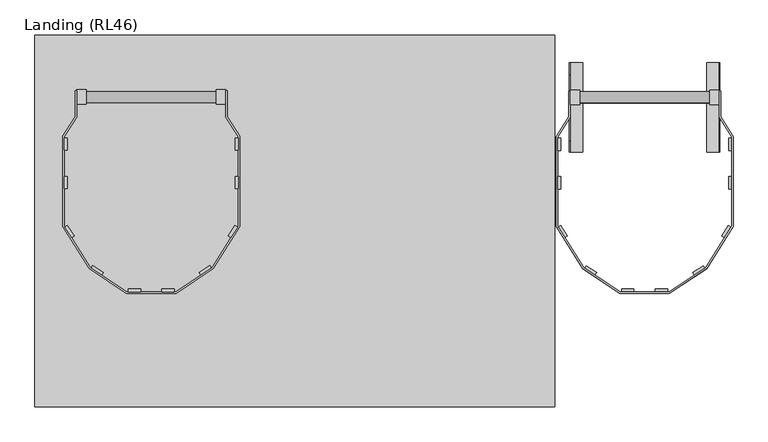
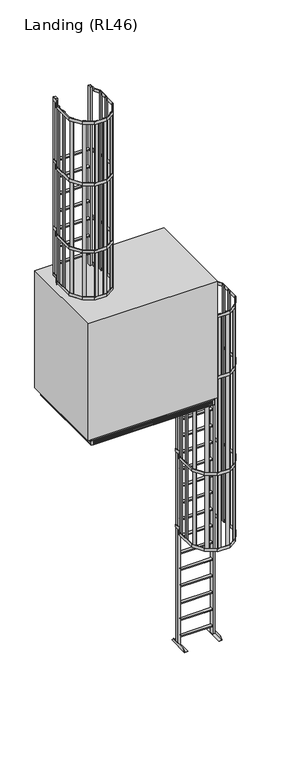
"""IFC4 building model written with IfcOpenShell, lengths in millimetres: proxy geometry, Landing (RL46)."""

from ifc_helpers import new_model, si_unit, point, frame, frame_2d, origin, place, context, project, spatial, polyline, circle_curve, trimmed, segment, composite_curve, outline, extrude, faceted_brep, source, transform, mapped, element, save


def landing_rl46_76867f14(model_context):
    return source(origin(), model_context, "Body", "SolidModel", [
        faceted_brep([(-2372.0, 139.0, 4911.0), (-2410.5, 139.0, 4911.0), (-2410.5, -1275.0, 4911.0), (-2372.0, -1275.0, 4911.0), (-2372.0, -1278.0, 4911.0), (-449.0, -1278.0, 4911.0), (-449.0, -1275.0, 4911.0), (-410.5, -1275.0, 4911.0), (-410.5, 139.0, 4911.0), (-449.0, 139.0, 4911.0), (-449.0, 142.0, 4911.0), (-2372.0, 142.0, 4911.0), (-423.5, 129.0, 4911.0), (-423.5, -1265.0, 4911.0), (-2397.5, -1265.0, 4911.0), (-2397.5, 129.0, 4911.0), (-2372.0, 142.0, 4904.0), (-2372.0, 139.0, 4904.0), (-2372.0, 139.0, 4949.0), (-2372.0, 139.0, 4967.0), (-2372.0, 142.0, 4967.0), (-2372.0, 142.0, 4949.0), (-2372.0, 139.0, 4921.0), (-2372.0, 139.0, 4939.0), (-2372.0, 142.0, 4939.0), (-2372.0, 142.0, 4921.0), (-2372.0, 139.0, 4984.0), (-2372.0, 142.0, 4984.0), (-2372.0, 142.0, 4977.0), (-2372.0, 139.0, 4977.0), (-2410.5, 139.0, 4967.0), (-2410.5, -1275.0, 4967.0), (-2372.0, -1275.0, 4967.0), (-2372.0, -1278.0, 4967.0), (-449.0, -1278.0, 4967.0), (-449.0, -1275.0, 4967.0), (-410.5, -1275.0, 4967.0), (-410.5, 139.0, 4967.0), (-449.0, 139.0, 4967.0), (-449.0, 142.0, 4967.0), (-423.5, 129.0, 4967.0), (-423.5, -1265.0, 4967.0), (-2397.5, -1265.0, 4967.0), (-2397.5, 129.0, 4967.0), (-423.5, 129.0, 4977.0), (-2397.5, 129.0, 4977.0), (-2410.5, 139.0, 4921.0), (-449.0, 142.0, 4921.0), (-449.0, 139.0, 4921.0), (-410.5, 139.0, 4921.0), (-410.5, -1275.0, 4921.0), (-449.0, -1275.0, 4921.0), (-449.0, -1278.0, 4921.0), (-2372.0, -1278.0, 4921.0), (-2372.0, -1275.0, 4921.0), (-2410.5, -1275.0, 4921.0), (-423.5, -1265.0, 4921.0), (-423.5, 129.0, 4921.0), (-2397.5, 129.0, 4921.0), (-2397.5, -1265.0, 4921.0), (-410.5, 139.0, 4949.0), (-449.0, 139.0, 4949.0), (-410.5, 139.0, 4939.0), (-449.0, 139.0, 4939.0), (-410.5, 139.0, 4904.0), (-449.0, 139.0, 4904.0), (-449.0, 139.0, 4984.0), (-410.5, 139.0, 4984.0), (-410.5, 139.0, 4977.0), (-449.0, 139.0, 4977.0), (-410.5, -1275.0, 4904.0), (-410.5, -1275.0, 4984.0), (-410.5, -1275.0, 4977.0), (-410.5, -1275.0, 4949.0), (-410.5, -1275.0, 4939.0), (-2372.0, -1239.5, 4984.0), (-449.0, -1239.5, 4984.0), (-449.0, -1239.5, 4904.0), (-2372.0, -1239.5, 4904.0), (-2410.5, -1275.0, 4939.0), (-2372.0, -1275.0, 4939.0), (-2410.5, -1275.0, 4904.0), (-2372.0, -1275.0, 4904.0), (-2372.0, -1275.0, 4984.0), (-2410.5, -1275.0, 4984.0), (-2410.5, -1275.0, 4977.0), (-2372.0, -1275.0, 4977.0), (-2410.5, -1275.0, 4949.0), (-2372.0, -1275.0, 4949.0), (-449.0, 142.0, 4904.0), (-449.0, -1275.0, 4904.0), (-449.0, -1278.0, 4904.0), (-2372.0, -1278.0, 4904.0), (-2410.5, 139.0, 4904.0), (-449.0, 103.5, 4904.0), (-2372.0, 103.5, 4904.0), (-2410.5, 139.0, 4984.0), (-2372.0, -1278.0, 4984.0), (-449.0, -1278.0, 4984.0), (-449.0, -1275.0, 4984.0), (-449.0, 142.0, 4984.0), (-449.0, 103.5, 4984.0), (-2372.0, 103.5, 4984.0), (-2410.5, 139.0, 4949.0), (-2410.5, 139.0, 4939.0), (-2410.5, 139.0, 4977.0), (-449.0, -1275.0, 4977.0), (-449.0, -1275.0, 4949.0), (-449.0, -1275.0, 4939.0), (-2372.0, -1278.0, 4939.0), (-2372.0, -1278.0, 4977.0), (-2372.0, -1278.0, 4949.0), (-449.0, -1278.0, 4949.0), (-449.0, -1278.0, 4939.0), (-449.0, -1278.0, 4977.0), (-449.0, 142.0, 4939.0), (-449.0, 142.0, 4977.0), (-449.0, 142.0, 4949.0), (-423.5, -1265.0, 4977.0), (-2397.5, -1265.0, 4977.0), (-423.5, 129.0, 4949.0), (-423.5, -1265.0, 4949.0), (-423.5, -1265.0, 4939.0), (-423.5, 129.0, 4939.0), (-2397.5, -1265.0, 4949.0), (-2397.5, -1265.0, 4939.0), (-2397.5, 129.0, 4949.0), (-2397.5, 129.0, 4939.0)], [[[0, 1, 2, 3, 4, 5, 6, 7, 8, 9, 10, 11], [12, 13, 14, 15]], [[16, 17, 0, 11]], [[18, 19, 20, 21]], [[22, 23, 24, 25]], [[26, 27, 28, 29]], [[19, 30, 31, 32, 33, 34, 35, 36, 37, 38, 39, 20], [40, 41, 42, 43]], [[44, 40, 43, 45]], [[46, 22, 25, 47, 48, 49, 50, 51, 52, 53, 54, 55], [56, 57, 58, 59]], [[37, 60, 61, 38]], [[62, 49, 48, 63]], [[64, 65, 9, 8]], [[66, 67, 68, 69]], [[70, 64, 8, 7]], [[67, 71, 72, 68]], [[36, 73, 60, 37]], [[74, 50, 49, 62]], [[75, 76, 77, 78]], [[79, 55, 54, 80]], [[81, 82, 3, 2]], [[83, 84, 85, 86]], [[31, 87, 88, 32]], [[17, 16, 89, 65, 64, 70, 90, 91, 92, 82, 81, 93], [94, 95, 78, 77]], [[26, 96, 84, 83, 97, 98, 99, 71, 67, 66, 100, 27], [101, 76, 75, 102]], [[17, 93, 1, 0]], [[19, 18, 103, 30]], [[23, 22, 46, 104]], [[96, 26, 29, 105]], [[93, 81, 2, 1]], [[30, 103, 87, 31]], [[84, 96, 105, 85]], [[104, 46, 55, 79]], [[90, 70, 7, 6]], [[71, 99, 106, 72]], [[35, 107, 73, 36]], [[108, 51, 50, 74]], [[76, 101, 94, 77]], [[102, 75, 78, 95]], [[101, 102, 95, 94]], [[80, 54, 53, 109]], [[82, 92, 4, 3]], [[97, 83, 86, 110]], [[32, 88, 111, 33]], [[33, 111, 112, 34]], [[109, 53, 52, 113]], [[92, 91, 5, 4]], [[98, 97, 110, 114]], [[99, 98, 114, 106]], [[91, 90, 6, 5]], [[107, 35, 34, 112]], [[51, 108, 113, 52]], [[63, 48, 47, 115]], [[65, 89, 10, 9]], [[100, 66, 69, 116]], [[38, 61, 117, 39]], [[39, 117, 21, 20]], [[115, 47, 25, 24]], [[89, 16, 11, 10]], [[27, 100, 116, 28]], [[44, 118, 41, 40]], [[57, 56, 13, 12]], [[41, 118, 119, 42]], [[13, 56, 59, 14]], [[42, 119, 45, 43]], [[14, 59, 58, 15]], [[105, 29, 28, 116, 69, 68, 72, 106, 114, 110, 86, 85], [118, 44, 45, 119]], [[57, 12, 15, 58]], [[120, 121, 122, 123]], [[122, 121, 124, 125]], [[125, 124, 126, 127]], [[103, 18, 21, 117, 61, 60, 73, 107, 112, 111, 88, 87], [121, 120, 126, 124]], [[23, 104, 79, 80, 109, 113, 108, 74, 62, 63, 115, 24], [123, 122, 125, 127]], [[120, 123, 127, 126]]]),
        extrude(outline(polyline([(-410.5, 142.0), (-410.5, -1278.0), (-2410.5, -1278.0), (-2410.5, 142.0), (-410.5, 142.0)]), holes=[polyline([(-469.5, 123.5), (-2351.5, 123.5), (-2351.5, -1259.5), (-469.5, -1259.5), (-469.5, 123.5)])]), frame((0.0, 0.0, 4984.0), z_axis=(0.0, 0.0, 1.0), x_axis=(1.0, 0.0, 0.0)), (0.0, 0.0, 1.0), 19.0),
        extrude(outline(polyline([(-469.5, 123.5), (-469.5, -1259.5), (-2351.5, -1259.5), (-2351.5, 123.5), (-469.5, 123.5)])), frame((0.0, 0.0, 4984.0), z_axis=(0.0, 0.0, 1.0), x_axis=(1.0, 0.0, 0.0)), (0.0, 0.0, 1.0), 16.0),
        extrude(outline(polyline([(-2410.5, 142.0), (-2372.0, 142.0), (-2372.0, 139.0), (-2410.5, 139.0), (-2410.5, 142.0)])), frame((0.0, 0.0, 4904.0), z_axis=(0.0, 0.0, 1.0), x_axis=(1.0, 0.0, 0.0)), (0.0, 0.0, 1.0), 80.0),
        extrude(outline(polyline([(-449.0, 142.0), (-410.5, 142.0), (-410.5, 139.0), (-449.0, 139.0), (-449.0, 142.0)])), frame((0.0, 0.0, 4904.0), z_axis=(0.0, 0.0, 1.0), x_axis=(1.0, 0.0, 0.0)), (0.0, 0.0, 1.0), 80.0),
        extrude(outline(polyline([(-410.5, -1278.0), (-449.0, -1278.0), (-449.0, -1275.0), (-410.5, -1275.0), (-410.5, -1278.0)])), frame((0.0, 0.0, 4904.0), z_axis=(0.0, 0.0, 1.0), x_axis=(1.0, 0.0, 0.0)), (0.0, 0.0, 1.0), 80.0),
        extrude(outline(polyline([(-2372.0, -1278.0), (-2410.5, -1278.0), (-2410.5, -1275.0), (-2372.0, -1275.0), (-2372.0, -1278.0)])), frame((0.0, 0.0, 4904.0), z_axis=(0.0, 0.0, 1.0), x_axis=(1.0, 0.0, 0.0)), (0.0, 0.0, 1.0), 80.0),
        faceted_brep([(-362.5, -1278.0, 7000.0), (-362.5, -1278.0, 5000.0), (-362.5, -712.25, 5000.0), (-362.5, -712.25, 5990.0), (-362.5, 12.75, 5990.0), (-362.5, 12.75, 5000.0), (-362.5, 222.0, 5000.0), (-362.5, 222.0, 7000.0), (-2458.5, -1278.0, 5000.0), (-2458.5, 222.0, 5000.0), (-454.0, 12.75, 5000.0), (-454.0, -712.25, 5000.0), (-2458.5, 222.0, 7000.0), (-2458.5, -1278.0, 7000.0), (-454.0, 12.75, 5990.0), (-454.0, -712.25, 5990.0)], [[[0, 1, 2, 3, 4, 5, 6, 7]], [[8, 9, 6, 5, 10, 11, 2, 1]], [[0, 7, 12, 13]], [[14, 10, 5, 4]], [[13, 12, 9, 8]], [[1, 0, 13, 8]], [[7, 6, 9, 12]], [[15, 14, 4, 3]], [[14, 15, 11, 10]], [[11, 15, 3, 2]]]),
        extrude(outline(polyline([(-2289.4565175, -641.6829436), (-2346.0, -551.0), (-2346.0, -187.2646621), (-2295.5, -107.2646621), (-2295.5, -4.0), (-2289.5, -4.0), (-2289.5, -109.0), (-2340.0, -189.0), (-2340.0, -549.2826578), (-2284.4374983, -638.3923304), (-2289.4565175, -641.6829436)])), frame((0.0, 0.0, 6000.0), z_axis=(0.0, 0.0, 1.0), x_axis=(1.0, 0.0, 0.0)), (0.0, 0.0, 1.0), 50.0),
        extrude(outline(polyline([(-2328.0, -244.0), (-2340.0, -244.0), (-2340.0, -194.0), (-2328.0, -194.0), (-2328.0, -244.0)])), frame((0.0, 0.0, 6000.0), z_axis=(0.0, 0.0, 1.0), x_axis=(1.0, 0.0, 0.0)), (0.0, 0.0, 1.0), 1000.0),
        extrude(outline(polyline([(-2328.0, -399.1413289), (-2340.0, -399.1413289), (-2340.0, -349.1413289), (-2328.0, -349.1413289), (-2328.0, -399.1413289)])), frame((0.0, 0.0, 6000.0), z_axis=(0.0, 0.0, 1.0), x_axis=(1.0, 0.0, 0.0)), (0.0, 0.0, 1.0), 1000.0),
        extrude(outline(polyline([(-2300.7167249, -589.6041694), (-2310.899429, -595.9533849), (-2337.3544935, -553.5254512), (-2327.1717895, -547.1762357), (-2300.7167249, -589.6041694)])), frame((0.0, 0.0, 6000.0), z_axis=(0.0, 0.0, 1.0), x_axis=(1.0, 0.0, 0.0)), (0.0, 0.0, 1.0), 1000.0),
        extrude(outline(polyline([(-2284.4374983, -638.3923304), (-2289.4565175, -641.6829436), (-2346.0, -551.0), (-2346.0, -187.2646621), (-2295.5, -107.2646621), (-2295.5, -4.0), (-2289.5, -4.0), (-2289.5, -109.0), (-2340.0, -189.0), (-2340.0, -549.2826578), (-2284.4374983, -638.3923304)])), frame((0.0, 0.0, 6950.0), z_axis=(0.0, 0.0, 1.0), x_axis=(1.0, 0.0, 0.0)), (0.0, 0.0, 1.0), 50.0),
        extrude(outline(polyline([(-2340.0, -399.1413289), (-2340.0, -349.1413289), (-2328.0, -349.1413289), (-2328.0, -399.1413289), (-2340.0, -399.1413289)])), frame((0.0, 0.0, 7000.0), z_axis=(0.0, 0.0, 1.0), x_axis=(1.0, 0.0, 0.0)), (0.0, 0.0, 1.0), 3050.0),
        extrude(outline(polyline([(-2340.0, -244.0), (-2340.0, -194.0), (-2328.0, -194.0), (-2328.0, -244.0), (-2340.0, -244.0)])), frame((0.0, 0.0, 7000.0), z_axis=(0.0, 0.0, 1.0), x_axis=(1.0, 0.0, 0.0)), (0.0, 0.0, 1.0), 3050.0),
        extrude(outline(polyline([(-2089.5, -821.0), (-2240.0, -721.0), (-2346.0, -551.0), (-2346.0, -187.2646621), (-2295.5, -107.2646621), (-2295.5, -4.0), (-2289.5, -4.0), (-2289.5, -109.0), (-2340.0, -189.0), (-2340.0, -549.2826578), (-2235.5965631, -716.7221321), (-2087.6883719, -815.0), (-1891.3116281, -815.0), (-1743.4034369, -716.7221321), (-1639.0, -549.2826578), (-1639.0, -189.0), (-1689.5, -109.0), (-1689.5, -4.0), (-1683.5, -4.0), (-1683.5, -107.2646621), (-1633.0, -187.2646621), (-1633.0, -551.0), (-1739.0, -721.0), (-1889.5, -821.0), (-2089.5, -821.0)])), frame((0.0, 0.0, 7800.0), z_axis=(0.0, 0.0, 1.0), x_axis=(1.0, 0.0, 0.0)), (0.0, 0.0, 1.0), 50.0),
        extrude(outline(polyline([(-2089.5, -821.0), (-2240.0, -721.0), (-2346.0, -551.0), (-2346.0, -187.2646621), (-2295.5, -107.2646621), (-2295.5, -4.0), (-2289.5, -4.0), (-2289.5, -109.0), (-2340.0, -189.0), (-2340.0, -549.2826578), (-2235.5965631, -716.7221321), (-2087.6883719, -815.0), (-1891.3116281, -815.0), (-1743.4034369, -716.7221321), (-1639.0, -549.2826578), (-1639.0, -189.0), (-1689.5, -109.0), (-1689.5, -4.0), (-1683.5, -4.0), (-1683.5, -107.2646621), (-1633.0, -187.2646621), (-1633.0, -551.0), (-1739.0, -721.0), (-1889.5, -821.0), (-2089.5, -821.0)])), frame((0.0, 0.0, 8950.0), z_axis=(0.0, 0.0, 1.0), x_axis=(1.0, 0.0, 0.0)), (0.0, 0.0, 1.0), 50.0),
        extrude(outline(polyline([(-2089.5, -821.0), (-2240.0, -721.0), (-2346.0, -551.0), (-2346.0, -187.2646621), (-2295.5, -107.2646621), (-2295.5, -4.0), (-2289.5, -4.0), (-2289.5, -109.0), (-2340.0, -189.0), (-2340.0, -549.2826578), (-2235.5965631, -716.7221321), (-2087.6883719, -815.0), (-1891.3116281, -815.0), (-1743.4034369, -716.7221321), (-1639.0, -549.2826578), (-1639.0, -189.0), (-1689.5, -109.0), (-1689.5, -4.0), (-1683.5, -4.0), (-1683.5, -107.2646621), (-1633.0, -187.2646621), (-1633.0, -551.0), (-1739.0, -721.0), (-1889.5, -821.0), (-2089.5, -821.0)])), frame((0.0, 0.0, 7000.0), z_axis=(0.0, 0.0, 1.0), x_axis=(1.0, 0.0, 0.0)), (0.0, 0.0, 1.0), 50.0),
        extrude(outline(polyline([(-1639.0, -399.1413289), (-1651.0, -399.1413289), (-1651.0, -349.1413289), (-1639.0, -349.1413289), (-1639.0, -399.1413289)])), frame((0.0, 0.0, 7000.0), z_axis=(0.0, 0.0, 1.0), x_axis=(1.0, 0.0, 0.0)), (0.0, 0.0, 1.0), 3050.0),
        extrude(outline(polyline([(-2082.6883719, -815.0), (-2082.6883719, -803.0), (-2032.6883719, -803.0), (-2032.6883719, -815.0), (-2082.6883719, -815.0)])), frame((0.0, 0.0, 7000.0), z_axis=(0.0, 0.0, 1.0), x_axis=(1.0, 0.0, 0.0)), (0.0, 0.0, 1.0), 3050.0),
        extrude(outline(polyline([(-2300.7167249, -589.6041694), (-2310.899429, -595.9533849), (-2337.3544935, -553.5254512), (-2327.1717895, -547.1762357), (-2300.7167249, -589.6041694)])), frame((0.0, 0.0, 7000.0), z_axis=(0.0, 0.0, 1.0), x_axis=(1.0, 0.0, 0.0)), (0.0, 0.0, 1.0), 3050.0),
        extrude(outline(polyline([(-2189.7870228, -747.1603648), (-2231.4320595, -719.4892441), (-2224.7909905, -709.4944353), (-2183.1459538, -737.165556), (-2189.7870228, -747.1603648)])), frame((0.0, 0.0, 7000.0), z_axis=(0.0, 0.0, 1.0), x_axis=(1.0, 0.0, 0.0)), (0.0, 0.0, 1.0), 3050.0),
        extrude(outline(polyline([(-1896.3116281, -815.0), (-1946.3116281, -815.0), (-1946.3116281, -803.0), (-1896.3116281, -803.0), (-1896.3116281, -815.0)])), frame((0.0, 0.0, 7000.0), z_axis=(0.0, 0.0, 1.0), x_axis=(1.0, 0.0, 0.0)), (0.0, 0.0, 1.0), 3050.0),
        extrude(outline(polyline([(-1678.2832751, -589.6041694), (-1651.8282105, -547.1762357), (-1641.6455065, -553.5254512), (-1668.100571, -595.9533849), (-1678.2832751, -589.6041694)])), frame((0.0, 0.0, 7000.0), z_axis=(0.0, 0.0, 1.0), x_axis=(1.0, 0.0, 0.0)), (0.0, 0.0, 1.0), 3050.0),
        extrude(outline(polyline([(-1789.2129772, -747.1603648), (-1795.8540462, -737.165556), (-1754.2090095, -709.4944353), (-1747.5679405, -719.4892441), (-1789.2129772, -747.1603648)])), frame((0.0, 0.0, 7000.0), z_axis=(0.0, 0.0, 1.0), x_axis=(1.0, 0.0, 0.0)), (0.0, 0.0, 1.0), 3050.0),
        extrude(outline(polyline([(-1639.0, -244.0), (-1651.0, -244.0), (-1651.0, -194.0), (-1639.0, -194.0), (-1639.0, -244.0)])), frame((0.0, 0.0, 7000.0), z_axis=(0.0, 0.0, 1.0), x_axis=(1.0, 0.0, 0.0)), (0.0, 0.0, 1.0), 3050.0),
        extrude(outline(polyline([(-2089.5, -821.0), (-2240.0, -721.0), (-2346.0, -551.0), (-2346.0, -187.2646621), (-2295.5, -107.2646621), (-2295.5, -4.0), (-2289.5, -4.0), (-2289.5, -109.0), (-2340.0, -189.0), (-2340.0, -549.2826578), (-2235.5965631, -716.7221321), (-2087.6883719, -815.0), (-1891.3116281, -815.0), (-1743.4034369, -716.7221321), (-1639.0, -549.2826578), (-1639.0, -189.0), (-1689.5, -109.0), (-1689.5, -4.0), (-1683.5, -4.0), (-1683.5, -107.2646621), (-1633.0, -187.2646621), (-1633.0, -551.0), (-1739.0, -721.0), (-1889.5, -821.0), (-2089.5, -821.0)])), frame((0.0, 0.0, 10000.0), z_axis=(0.0, 0.0, 1.0), x_axis=(1.0, 0.0, 0.0)), (0.0, 0.0, 1.0), 50.0),
        extrude(outline(composite_curve([segment(polyline([(-51.5, 8674.0769231), (-51.5, 8691.0769231)]), True, "CONTINUOUS"), segment(trimmed(circle_curve(frame_2d((-29.0, 8678.1057692)), 25.9711538), [point((-51.5, 8691.0769231))], [point((-6.5, 8691.0769231))], False, "CARTESIAN"), True, "CONTINUOUS"), segment(polyline([(-6.5, 8691.0769231), (-6.5, 8674.0769231), (-51.5, 8674.0769231)]), True, "CONTINUOUS")], self_intersect=False)), frame((-2251.5, 0.0, 0.0), z_axis=(1.0, 0.0, 0.0), x_axis=(0.0, 1.0, 0.0)), (0.0, 0.0, 1.0), 524.0),
        extrude(outline(composite_curve([segment(polyline([(-51.5, 8378.1538462), (-51.5, 8395.1538462)]), True, "CONTINUOUS"), segment(trimmed(circle_curve(frame_2d((-29.0, 8382.1826923)), 25.9711538), [point((-51.5, 8395.1538462))], [point((-6.5, 8395.1538462))], False, "CARTESIAN"), True, "CONTINUOUS"), segment(polyline([(-6.5, 8395.1538462), (-6.5, 8378.1538462), (-51.5, 8378.1538462)]), True, "CONTINUOUS")], self_intersect=False)), frame((-2251.5, 0.0, 0.0), z_axis=(1.0, 0.0, 0.0), x_axis=(0.0, 1.0, 0.0)), (0.0, 0.0, 1.0), 524.0),
        extrude(outline(composite_curve([segment(polyline([(-51.5, 8082.2307692), (-51.5, 8099.2307692)]), True, "CONTINUOUS"), segment(trimmed(circle_curve(frame_2d((-29.0, 8086.2596154)), 25.9711538), [point((-51.5, 8099.2307692))], [point((-6.5, 8099.2307692))], False, "CARTESIAN"), True, "CONTINUOUS"), segment(polyline([(-6.5, 8099.2307692), (-6.5, 8082.2307692), (-51.5, 8082.2307692)]), True, "CONTINUOUS")], self_intersect=False)), frame((-2251.5, 0.0, 0.0), z_axis=(1.0, 0.0, 0.0), x_axis=(0.0, 1.0, 0.0)), (0.0, 0.0, 1.0), 524.0),
        extrude(outline(composite_curve([segment(polyline([(-51.5, 7786.3076923), (-51.5, 7803.3076923)]), True, "CONTINUOUS"), segment(trimmed(circle_curve(frame_2d((-29.0, 7790.3365385)), 25.9711538), [point((-51.5, 7803.3076923))], [point((-6.5, 7803.3076923))], False, "CARTESIAN"), True, "CONTINUOUS"), segment(polyline([(-6.5, 7803.3076923), (-6.5, 7786.3076923), (-51.5, 7786.3076923)]), True, "CONTINUOUS")], self_intersect=False)), frame((-2251.5, 0.0, 0.0), z_axis=(1.0, 0.0, 0.0), x_axis=(0.0, 1.0, 0.0)), (0.0, 0.0, 1.0), 524.0),
        extrude(outline(composite_curve([segment(polyline([(-51.5, 7490.3846154), (-51.5, 7507.3846154)]), True, "CONTINUOUS"), segment(trimmed(circle_curve(frame_2d((-29.0, 7494.4134615)), 25.9711538), [point((-51.5, 7507.3846154))], [point((-6.5, 7507.3846154))], False, "CARTESIAN"), True, "CONTINUOUS"), segment(polyline([(-6.5, 7507.3846154), (-6.5, 7490.3846154), (-51.5, 7490.3846154)]), True, "CONTINUOUS")], self_intersect=False)), frame((-2251.5, 0.0, 0.0), z_axis=(1.0, 0.0, 0.0), x_axis=(0.0, 1.0, 0.0)), (0.0, 0.0, 1.0), 524.0),
        extrude(outline(composite_curve([segment(polyline([(-51.5, 7194.4615385), (-51.5, 7211.4615385)]), True, "CONTINUOUS"), segment(trimmed(circle_curve(frame_2d((-29.0, 7198.4903846)), 25.9711538), [point((-51.5, 7211.4615385))], [point((-6.5, 7211.4615385))], False, "CARTESIAN"), True, "CONTINUOUS"), segment(polyline([(-6.5, 7211.4615385), (-6.5, 7194.4615385), (-51.5, 7194.4615385)]), True, "CONTINUOUS")], self_intersect=False)), frame((-2251.5, 0.0, 0.0), z_axis=(1.0, 0.0, 0.0), x_axis=(0.0, 1.0, 0.0)), (0.0, 0.0, 1.0), 524.0),
        extrude(outline(composite_curve([segment(polyline([(-51.5, 6898.5384615), (-51.5, 6915.5384615)]), True, "CONTINUOUS"), segment(trimmed(circle_curve(frame_2d((-29.0, 6902.5673077)), 25.9711538), [point((-51.5, 6915.5384615))], [point((-6.5, 6915.5384615))], False, "CARTESIAN"), True, "CONTINUOUS"), segment(polyline([(-6.5, 6915.5384615), (-6.5, 6898.5384615), (-51.5, 6898.5384615)]), True, "CONTINUOUS")], self_intersect=False)), frame((-2251.5, 0.0, 0.0), z_axis=(1.0, 0.0, 0.0), x_axis=(0.0, 1.0, 0.0)), (0.0, 0.0, 1.0), 524.0),
        extrude(outline(composite_curve([segment(polyline([(-51.5, 6602.6153846), (-51.5, 6619.6153846)]), True, "CONTINUOUS"), segment(trimmed(circle_curve(frame_2d((-29.0, 6606.6442308)), 25.9711538), [point((-51.5, 6619.6153846))], [point((-6.5, 6619.6153846))], False, "CARTESIAN"), True, "CONTINUOUS"), segment(polyline([(-6.5, 6619.6153846), (-6.5, 6602.6153846), (-51.5, 6602.6153846)]), True, "CONTINUOUS")], self_intersect=False)), frame((-2251.5, 0.0, 0.0), z_axis=(1.0, 0.0, 0.0), x_axis=(0.0, 1.0, 0.0)), (0.0, 0.0, 1.0), 524.0),
        extrude(outline(composite_curve([segment(polyline([(-51.5, 6306.6923077), (-51.5, 6323.6923077)]), True, "CONTINUOUS"), segment(trimmed(circle_curve(frame_2d((-29.0, 6310.7211538)), 25.9711538), [point((-51.5, 6323.6923077))], [point((-6.5, 6323.6923077))], False, "CARTESIAN"), True, "CONTINUOUS"), segment(polyline([(-6.5, 6323.6923077), (-6.5, 6306.6923077), (-51.5, 6306.6923077)]), True, "CONTINUOUS")], self_intersect=False)), frame((-2251.5, 0.0, 0.0), z_axis=(1.0, 0.0, 0.0), x_axis=(0.0, 1.0, 0.0)), (0.0, 0.0, 1.0), 524.0),
        extrude(outline(composite_curve([segment(polyline([(-51.5, 6010.7692308), (-51.5, 6027.7692308)]), True, "CONTINUOUS"), segment(trimmed(circle_curve(frame_2d((-29.0, 6014.7980769)), 25.9711538), [point((-51.5, 6027.7692308))], [point((-6.5, 6027.7692308))], False, "CARTESIAN"), True, "CONTINUOUS"), segment(polyline([(-6.5, 6027.7692308), (-6.5, 6010.7692308), (-51.5, 6010.7692308)]), True, "CONTINUOUS")], self_intersect=False)), frame((-2251.5, 0.0, 0.0), z_axis=(1.0, 0.0, 0.0), x_axis=(0.0, 1.0, 0.0)), (0.0, 0.0, 1.0), 524.0),
        extrude(outline(composite_curve([segment(polyline([(-51.5, 5714.8461538), (-51.5, 5731.8461538)]), True, "CONTINUOUS"), segment(trimmed(circle_curve(frame_2d((-29.0, 5718.875)), 25.9711538), [point((-51.5, 5731.8461538))], [point((-6.5, 5731.8461538))], False, "CARTESIAN"), True, "CONTINUOUS"), segment(polyline([(-6.5, 5731.8461538), (-6.5, 5714.8461538), (-51.5, 5714.8461538)]), True, "CONTINUOUS")], self_intersect=False)), frame((-2251.5, 0.0, 0.0), z_axis=(1.0, 0.0, 0.0), x_axis=(0.0, 1.0, 0.0)), (0.0, 0.0, 1.0), 524.0),
        extrude(outline(composite_curve([segment(polyline([(-51.5, 5418.9230769), (-51.5, 5435.9230769)]), True, "CONTINUOUS"), segment(trimmed(circle_curve(frame_2d((-29.0, 5422.9519231)), 25.9711538), [point((-51.5, 5435.9230769))], [point((-6.5, 5435.9230769))], False, "CARTESIAN"), True, "CONTINUOUS"), segment(polyline([(-6.5, 5435.9230769), (-6.5, 5418.9230769), (-51.5, 5418.9230769)]), True, "CONTINUOUS")], self_intersect=False)), frame((-2251.5, 0.0, 0.0), z_axis=(1.0, 0.0, 0.0), x_axis=(0.0, 1.0, 0.0)), (0.0, 0.0, 1.0), 524.0),
        extrude(outline(composite_curve([segment(polyline([(-51.5, 8970.0), (-51.5, 8987.0)]), True, "CONTINUOUS"), segment(trimmed(circle_curve(frame_2d((-29.0, 8974.0288462)), 25.9711538), [point((-51.5, 8987.0))], [point((-6.5, 8987.0))], False, "CARTESIAN"), True, "CONTINUOUS"), segment(polyline([(-6.5, 8987.0), (-6.5, 8970.0), (-51.5, 8970.0)]), True, "CONTINUOUS")], self_intersect=False)), frame((-2251.5, 0.0, 0.0), z_axis=(1.0, 0.0, 0.0), x_axis=(0.0, 1.0, 0.0)), (0.0, 0.0, 1.0), 524.0),
        extrude(outline(composite_curve([segment(polyline([(-51.5, 5123.0), (-51.5, 5140.0)]), True, "CONTINUOUS"), segment(trimmed(circle_curve(frame_2d((-29.0, 5127.0288462)), 25.9711538), [point((-51.5, 5140.0))], [point((-6.5, 5140.0))], False, "CARTESIAN"), True, "CONTINUOUS"), segment(polyline([(-6.5, 5140.0), (-6.5, 5123.0), (-51.5, 5123.0)]), True, "CONTINUOUS")], self_intersect=False)), frame((-2251.5, 0.0, 0.0), z_axis=(1.0, 0.0, 0.0), x_axis=(0.0, 1.0, 0.0)), (0.0, 0.0, 1.0), 524.0),
        extrude(outline(polyline([(-1689.5, -58.0), (-1727.5, -58.0), (-1727.5, 0.0), (-1689.5, 0.0), (-1689.5, -58.0)])), frame((0.0, 0.0, 5003.0), z_axis=(0.0, 0.0, 1.0), x_axis=(1.0, 0.0, 0.0)), (0.0, 0.0, 1.0), 5047.0),
        extrude(outline(polyline([(-2251.5, -58.0), (-2289.5, -58.0), (-2289.5, 0.0), (-2251.5, 0.0), (-2251.5, -58.0)])), frame((0.0, 0.0, 5003.0), z_axis=(0.0, 0.0, 1.0), x_axis=(1.0, 0.0, 0.0)), (0.0, 0.0, 1.0), 5047.0),
        faceted_brep([(-2293.0, -249.0, 5000.0), (-2240.0, -249.0, 5000.0), (-2240.0, -249.0, 5003.0), (-2290.0, -249.0, 5003.0), (-2293.0, -249.0, 5003.0), (-2290.0, 111.0, 5003.0), (-2240.0, 111.0, 5003.0), (-2240.0, 111.0, 5000.0), (-2293.0, 111.0, 5000.0), (-2293.0, 111.0, 5003.0), (-2290.0, -202.0, 5050.0), (-2290.0, 64.0, 5050.0), (-2293.0, 64.0, 5050.0), (-2293.0, -202.0, 5050.0)], [[[0, 1, 2, 3, 4]], [[5, 6, 7, 8, 9]], [[10, 11, 12, 13]], [[8, 0, 4, 13, 12, 9]], [[1, 0, 8, 7]], [[2, 1, 7, 6]], [[3, 2, 6, 5]], [[3, 5, 11, 10]], [[5, 9, 12, 11]], [[4, 3, 10, 13]]]),
        faceted_brep([(-1689.0, -249.0, 5003.0), (-1739.0, -249.0, 5003.0), (-1739.0, -249.0, 5000.0), (-1686.0, -249.0, 5000.0), (-1686.0, -249.0, 5003.0), (-1686.0, 111.0, 5000.0), (-1739.0, 111.0, 5000.0), (-1739.0, 111.0, 5003.0), (-1689.0, 111.0, 5003.0), (-1686.0, 111.0, 5003.0), (-1686.0, 64.0, 5050.0), (-1686.0, -202.0, 5050.0), (-1689.0, 64.0, 5050.0), (-1689.0, -202.0, 5050.0)], [[[0, 1, 2, 3, 4]], [[5, 6, 7, 8, 9]], [[1, 0, 8, 7]], [[2, 1, 7, 6]], [[3, 2, 6, 5]], [[3, 5, 9, 10, 11, 4]], [[11, 10, 12, 13]], [[8, 0, 13, 12]], [[9, 8, 12, 10]], [[0, 4, 11, 13]]]),
        extrude(outline(polyline([(-350.5, -399.1413289), (-350.5, -349.1413289), (-338.5, -349.1413289), (-338.5, -399.1413289), (-350.5, -399.1413289)])), frame((0.0, 0.0, 2000.0), z_axis=(0.0, 0.0, 1.0), x_axis=(1.0, 0.0, 0.0)), (0.0, 0.0, 1.0), 2950.0),
        extrude(outline(polyline([(-350.5, -244.0), (-350.5, -194.0), (-338.5, -194.0), (-338.5, -244.0), (-350.5, -244.0)])), frame((0.0, 0.0, 2000.0), z_axis=(0.0, 0.0, 1.0), x_axis=(1.0, 0.0, 0.0)), (0.0, 0.0, 1.0), 2950.0),
        extrude(outline(polyline([(-100.0, -821.0), (-250.5, -721.0), (-352.9458456, -556.700059), (-347.8544935, -553.5254512), (-246.0965631, -716.7221321), (-98.1883719, -815.0), (98.1883719, -815.0), (246.0965631, -716.7221321), (350.5, -549.2826578), (350.5, -189.0), (300.0, -109.0), (300.0, -4.0), (306.0, -4.0), (306.0, -107.2646621), (356.5, -187.2646621), (356.5, -551.0), (250.5, -721.0), (100.0, -821.0), (-100.0, -821.0)])), frame((0.0, 0.0, 4950.0), z_axis=(0.0, 0.0, 1.0), x_axis=(1.0, 0.0, 0.0)), (0.0, 0.0, 1.0), 50.0),
        extrude(outline(polyline([(-100.0, -821.0), (-250.5, -721.0), (-352.9458456, -556.700059), (-347.8544935, -553.5254512), (-246.0965631, -716.7221321), (-98.1883719, -815.0), (98.1883719, -815.0), (246.0965631, -716.7221321), (350.5, -549.2826578), (350.5, -189.0), (300.0, -109.0), (300.0, -4.0), (306.0, -4.0), (306.0, -107.2646621), (356.5, -187.2646621), (356.5, -551.0), (250.5, -721.0), (100.0, -821.0), (-100.0, -821.0)])), frame((0.0, 0.0, 6000.0), z_axis=(0.0, 0.0, 1.0), x_axis=(1.0, 0.0, 0.0)), (0.0, 0.0, 1.0), 50.0),
        extrude(outline(polyline([(-100.0, -821.0), (-250.5, -721.0), (-356.5, -551.0), (-356.5, -187.2646621), (-306.0, -107.2646621), (-306.0, -4.0), (-300.0, -4.0), (-300.0, -109.0), (-350.5, -189.0), (-350.5, -549.2826578), (-246.0965631, -716.7221321), (-98.1883719, -815.0), (98.1883719, -815.0), (246.0965631, -716.7221321), (350.5, -549.2826578), (350.5, -189.0), (300.0, -109.0), (300.0, -4.0), (306.0, -4.0), (306.0, -107.2646621), (356.5, -187.2646621), (356.5, -551.0), (250.5, -721.0), (100.0, -821.0), (-100.0, -821.0)])), frame((0.0, 0.0, 3300.0), z_axis=(0.0, 0.0, 1.0), x_axis=(1.0, 0.0, 0.0)), (0.0, 0.0, 1.0), 50.0),
        extrude(outline(polyline([(-100.0, -821.0), (-250.5, -721.0), (-356.5, -551.0), (-356.5, -187.2646621), (-306.0, -107.2646621), (-306.0, -4.0), (-300.0, -4.0), (-300.0, -109.0), (-350.5, -189.0), (-350.5, -549.2826578), (-246.0965631, -716.7221321), (-98.1883719, -815.0), (98.1883719, -815.0), (246.0965631, -716.7221321), (350.5, -549.2826578), (350.5, -189.0), (300.0, -109.0), (300.0, -4.0), (306.0, -4.0), (306.0, -107.2646621), (356.5, -187.2646621), (356.5, -551.0), (250.5, -721.0), (100.0, -821.0), (-100.0, -821.0)])), frame((0.0, 0.0, 2000.0), z_axis=(0.0, 0.0, 1.0), x_axis=(1.0, 0.0, 0.0)), (0.0, 0.0, 1.0), 50.0),
        extrude(outline(polyline([(-93.1883719, -815.0), (-93.1883719, -803.0), (-43.1883719, -803.0), (-43.1883719, -815.0), (-93.1883719, -815.0)])), frame((0.0, 0.0, 2000.0), z_axis=(0.0, 0.0, 1.0), x_axis=(1.0, 0.0, 0.0)), (0.0, 0.0, 1.0), 4050.0),
        extrude(outline(polyline([(-311.2167249, -589.6041694), (-321.399429, -595.9533849), (-347.8544935, -553.5254512), (-337.6717895, -547.1762357), (-311.2167249, -589.6041694)])), frame((0.0, 0.0, 2000.0), z_axis=(0.0, 0.0, 1.0), x_axis=(1.0, 0.0, 0.0)), (0.0, 0.0, 1.0), 4050.0),
        extrude(outline(polyline([(-200.2870228, -747.1603648), (-241.9320595, -719.4892441), (-235.2909905, -709.4944353), (-193.6459538, -737.165556), (-200.2870228, -747.1603648)])), frame((0.0, 0.0, 2000.0), z_axis=(0.0, 0.0, 1.0), x_axis=(1.0, 0.0, 0.0)), (0.0, 0.0, 1.0), 4050.0),
        extrude(outline(polyline([(93.1883719, -815.0), (43.1883719, -815.0), (43.1883719, -803.0), (93.1883719, -803.0), (93.1883719, -815.0)])), frame((0.0, 0.0, 2000.0), z_axis=(0.0, 0.0, 1.0), x_axis=(1.0, 0.0, 0.0)), (0.0, 0.0, 1.0), 4050.0),
        extrude(outline(polyline([(311.2167249, -589.6041694), (337.6717895, -547.1762357), (347.8544935, -553.5254512), (321.399429, -595.9533849), (311.2167249, -589.6041694)])), frame((0.0, 0.0, 2000.0), z_axis=(0.0, 0.0, 1.0), x_axis=(1.0, 0.0, 0.0)), (0.0, 0.0, 1.0), 4050.0),
        extrude(outline(polyline([(200.2870228, -747.1603648), (193.6459538, -737.165556), (235.2909905, -709.4944353), (241.9320595, -719.4892441), (200.2870228, -747.1603648)])), frame((0.0, 0.0, 2000.0), z_axis=(0.0, 0.0, 1.0), x_axis=(1.0, 0.0, 0.0)), (0.0, 0.0, 1.0), 4050.0),
        extrude(outline(polyline([(350.5, -399.1413289), (338.5, -399.1413289), (338.5, -349.1413289), (350.5, -349.1413289), (350.5, -399.1413289)])), frame((0.0, 0.0, 2000.0), z_axis=(0.0, 0.0, 1.0), x_axis=(1.0, 0.0, 0.0)), (0.0, 0.0, 1.0), 4050.0),
        extrude(outline(polyline([(350.5, -244.0), (338.5, -244.0), (338.5, -194.0), (350.5, -194.0), (350.5, -244.0)])), frame((0.0, 0.0, 2000.0), z_axis=(0.0, 0.0, 1.0), x_axis=(1.0, 0.0, 0.0)), (0.0, 0.0, 1.0), 4050.0),
        extrude(outline(composite_curve([segment(polyline([(-51.5, 4684.8823529), (-51.5, 4701.8823529)]), True, "CONTINUOUS"), segment(trimmed(circle_curve(frame_2d((-29.0, 4688.9111991)), 25.9711538), [point((-51.5, 4701.8823529))], [point((-6.5, 4701.8823529))], False, "CARTESIAN"), True, "CONTINUOUS"), segment(polyline([(-6.5, 4701.8823529), (-6.5, 4684.8823529), (-51.5, 4684.8823529)]), True, "CONTINUOUS")], self_intersect=False)), frame((-262.0, 0.0, 0.0), z_axis=(1.0, 0.0, 0.0), x_axis=(0.0, 1.0, 0.0)), (0.0, 0.0, 1.0), 524.0),
        extrude(outline(composite_curve([segment(polyline([(-51.5, 4399.7647059), (-51.5, 4416.7647059)]), True, "CONTINUOUS"), segment(trimmed(circle_curve(frame_2d((-29.0, 4403.793552)), 25.9711538), [point((-51.5, 4416.7647059))], [point((-6.5, 4416.7647059))], False, "CARTESIAN"), True, "CONTINUOUS"), segment(polyline([(-6.5, 4416.7647059), (-6.5, 4399.7647059), (-51.5, 4399.7647059)]), True, "CONTINUOUS")], self_intersect=False)), frame((-262.0, 0.0, 0.0), z_axis=(1.0, 0.0, 0.0), x_axis=(0.0, 1.0, 0.0)), (0.0, 0.0, 1.0), 524.0),
        extrude(outline(composite_curve([segment(polyline([(-51.5, 4114.6470588), (-51.5, 4131.6470588)]), True, "CONTINUOUS"), segment(trimmed(circle_curve(frame_2d((-29.0, 4118.675905)), 25.9711538), [point((-51.5, 4131.6470588))], [point((-6.5, 4131.6470588))], False, "CARTESIAN"), True, "CONTINUOUS"), segment(polyline([(-6.5, 4131.6470588), (-6.5, 4114.6470588), (-51.5, 4114.6470588)]), True, "CONTINUOUS")], self_intersect=False)), frame((-262.0, 0.0, 0.0), z_axis=(1.0, 0.0, 0.0), x_axis=(0.0, 1.0, 0.0)), (0.0, 0.0, 1.0), 524.0),
        extrude(outline(composite_curve([segment(polyline([(-51.5, 3829.5294118), (-51.5, 3846.5294118)]), True, "CONTINUOUS"), segment(trimmed(circle_curve(frame_2d((-29.0, 3833.5582579)), 25.9711538), [point((-51.5, 3846.5294118))], [point((-6.5, 3846.5294118))], False, "CARTESIAN"), True, "CONTINUOUS"), segment(polyline([(-6.5, 3846.5294118), (-6.5, 3829.5294118), (-51.5, 3829.5294118)]), True, "CONTINUOUS")], self_intersect=False)), frame((-262.0, 0.0, 0.0), z_axis=(1.0, 0.0, 0.0), x_axis=(0.0, 1.0, 0.0)), (0.0, 0.0, 1.0), 524.0),
        extrude(outline(composite_curve([segment(polyline([(-51.5, 3544.4117647), (-51.5, 3561.4117647)]), True, "CONTINUOUS"), segment(trimmed(circle_curve(frame_2d((-29.0, 3548.4406109)), 25.9711538), [point((-51.5, 3561.4117647))], [point((-6.5, 3561.4117647))], False, "CARTESIAN"), True, "CONTINUOUS"), segment(polyline([(-6.5, 3561.4117647), (-6.5, 3544.4117647), (-51.5, 3544.4117647)]), True, "CONTINUOUS")], self_intersect=False)), frame((-262.0, 0.0, 0.0), z_axis=(1.0, 0.0, 0.0), x_axis=(0.0, 1.0, 0.0)), (0.0, 0.0, 1.0), 524.0),
        extrude(outline(composite_curve([segment(polyline([(-51.5, 3259.2941176), (-51.5, 3276.2941176)]), True, "CONTINUOUS"), segment(trimmed(circle_curve(frame_2d((-29.0, 3263.3229638)), 25.9711538), [point((-51.5, 3276.2941176))], [point((-6.5, 3276.2941176))], False, "CARTESIAN"), True, "CONTINUOUS"), segment(polyline([(-6.5, 3276.2941176), (-6.5, 3259.2941176), (-51.5, 3259.2941176)]), True, "CONTINUOUS")], self_intersect=False)), frame((-262.0, 0.0, 0.0), z_axis=(1.0, 0.0, 0.0), x_axis=(0.0, 1.0, 0.0)), (0.0, 0.0, 1.0), 524.0),
        extrude(outline(composite_curve([segment(polyline([(-51.5, 2974.1764706), (-51.5, 2991.1764706)]), True, "CONTINUOUS"), segment(trimmed(circle_curve(frame_2d((-29.0, 2978.2053167)), 25.9711538), [point((-51.5, 2991.1764706))], [point((-6.5, 2991.1764706))], False, "CARTESIAN"), True, "CONTINUOUS"), segment(polyline([(-6.5, 2991.1764706), (-6.5, 2974.1764706), (-51.5, 2974.1764706)]), True, "CONTINUOUS")], self_intersect=False)), frame((-262.0, 0.0, 0.0), z_axis=(1.0, 0.0, 0.0), x_axis=(0.0, 1.0, 0.0)), (0.0, 0.0, 1.0), 524.0),
        extrude(outline(composite_curve([segment(polyline([(-51.5, 2689.0588235), (-51.5, 2706.0588235)]), True, "CONTINUOUS"), segment(trimmed(circle_curve(frame_2d((-29.0, 2693.0876697)), 25.9711538), [point((-51.5, 2706.0588235))], [point((-6.5, 2706.0588235))], False, "CARTESIAN"), True, "CONTINUOUS"), segment(polyline([(-6.5, 2706.0588235), (-6.5, 2689.0588235), (-51.5, 2689.0588235)]), True, "CONTINUOUS")], self_intersect=False)), frame((-262.0, 0.0, 0.0), z_axis=(1.0, 0.0, 0.0), x_axis=(0.0, 1.0, 0.0)), (0.0, 0.0, 1.0), 524.0),
        extrude(outline(composite_curve([segment(polyline([(-51.5, 2403.9411765), (-51.5, 2420.9411765)]), True, "CONTINUOUS"), segment(trimmed(circle_curve(frame_2d((-29.0, 2407.9700226)), 25.9711538), [point((-51.5, 2420.9411765))], [point((-6.5, 2420.9411765))], False, "CARTESIAN"), True, "CONTINUOUS"), segment(polyline([(-6.5, 2420.9411765), (-6.5, 2403.9411765), (-51.5, 2403.9411765)]), True, "CONTINUOUS")], self_intersect=False)), frame((-262.0, 0.0, 0.0), z_axis=(1.0, 0.0, 0.0), x_axis=(0.0, 1.0, 0.0)), (0.0, 0.0, 1.0), 524.0),
        extrude(outline(composite_curve([segment(polyline([(-51.5, 2118.8235294), (-51.5, 2135.8235294)]), True, "CONTINUOUS"), segment(trimmed(circle_curve(frame_2d((-29.0, 2122.8523756)), 25.9711538), [point((-51.5, 2135.8235294))], [point((-6.5, 2135.8235294))], False, "CARTESIAN"), True, "CONTINUOUS"), segment(polyline([(-6.5, 2135.8235294), (-6.5, 2118.8235294), (-51.5, 2118.8235294)]), True, "CONTINUOUS")], self_intersect=False)), frame((-262.0, 0.0, 0.0), z_axis=(1.0, 0.0, 0.0), x_axis=(0.0, 1.0, 0.0)), (0.0, 0.0, 1.0), 524.0),
        extrude(outline(composite_curve([segment(polyline([(-51.5, 1833.7058824), (-51.5, 1850.7058824)]), True, "CONTINUOUS"), segment(trimmed(circle_curve(frame_2d((-29.0, 1837.7347285)), 25.9711538), [point((-51.5, 1850.7058824))], [point((-6.5, 1850.7058824))], False, "CARTESIAN"), True, "CONTINUOUS"), segment(polyline([(-6.5, 1850.7058824), (-6.5, 1833.7058824), (-51.5, 1833.7058824)]), True, "CONTINUOUS")], self_intersect=False)), frame((-262.0, 0.0, 0.0), z_axis=(1.0, 0.0, 0.0), x_axis=(0.0, 1.0, 0.0)), (0.0, 0.0, 1.0), 524.0),
        extrude(outline(composite_curve([segment(polyline([(-51.5, 1548.5882353), (-51.5, 1565.5882353)]), True, "CONTINUOUS"), segment(trimmed(circle_curve(frame_2d((-29.0, 1552.6170814)), 25.9711538), [point((-51.5, 1565.5882353))], [point((-6.5, 1565.5882353))], False, "CARTESIAN"), True, "CONTINUOUS"), segment(polyline([(-6.5, 1565.5882353), (-6.5, 1548.5882353), (-51.5, 1548.5882353)]), True, "CONTINUOUS")], self_intersect=False)), frame((-262.0, 0.0, 0.0), z_axis=(1.0, 0.0, 0.0), x_axis=(0.0, 1.0, 0.0)), (0.0, 0.0, 1.0), 524.0),
        extrude(outline(composite_curve([segment(polyline([(-51.5, 1263.4705882), (-51.5, 1280.4705882)]), True, "CONTINUOUS"), segment(trimmed(circle_curve(frame_2d((-29.0, 1267.4994344)), 25.9711538), [point((-51.5, 1280.4705882))], [point((-6.5, 1280.4705882))], False, "CARTESIAN"), True, "CONTINUOUS"), segment(polyline([(-6.5, 1280.4705882), (-6.5, 1263.4705882), (-51.5, 1263.4705882)]), True, "CONTINUOUS")], self_intersect=False)), frame((-262.0, 0.0, 0.0), z_axis=(1.0, 0.0, 0.0), x_axis=(0.0, 1.0, 0.0)), (0.0, 0.0, 1.0), 524.0),
        extrude(outline(composite_curve([segment(polyline([(-51.5, 5825.3529412), (-51.5, 5842.3529412)]), True, "CONTINUOUS"), segment(trimmed(circle_curve(frame_2d((-29.0, 5829.3817873)), 25.9711538), [point((-51.5, 5842.3529412))], [point((-6.5, 5842.3529412))], False, "CARTESIAN"), True, "CONTINUOUS"), segment(polyline([(-6.5, 5842.3529412), (-6.5, 5825.3529412), (-51.5, 5825.3529412)]), True, "CONTINUOUS")], self_intersect=False)), frame((-262.0, 0.0, 0.0), z_axis=(1.0, 0.0, 0.0), x_axis=(0.0, 1.0, 0.0)), (0.0, 0.0, 1.0), 524.0),
        extrude(outline(composite_curve([segment(polyline([(-51.5, 5540.2352941), (-51.5, 5557.2352941)]), True, "CONTINUOUS"), segment(trimmed(circle_curve(frame_2d((-29.0, 5544.2641403)), 25.9711538), [point((-51.5, 5557.2352941))], [point((-6.5, 5557.2352941))], False, "CARTESIAN"), True, "CONTINUOUS"), segment(polyline([(-6.5, 5557.2352941), (-6.5, 5540.2352941), (-51.5, 5540.2352941)]), True, "CONTINUOUS")], self_intersect=False)), frame((-262.0, 0.0, 0.0), z_axis=(1.0, 0.0, 0.0), x_axis=(0.0, 1.0, 0.0)), (0.0, 0.0, 1.0), 524.0),
        extrude(outline(composite_curve([segment(polyline([(-51.5, 5255.1176471), (-51.5, 5272.1176471)]), True, "CONTINUOUS"), segment(trimmed(circle_curve(frame_2d((-29.0, 5259.1464932)), 25.9711538), [point((-51.5, 5272.1176471))], [point((-6.5, 5272.1176471))], False, "CARTESIAN"), True, "CONTINUOUS"), segment(polyline([(-6.5, 5272.1176471), (-6.5, 5255.1176471), (-51.5, 5255.1176471)]), True, "CONTINUOUS")], self_intersect=False)), frame((-262.0, 0.0, 0.0), z_axis=(1.0, 0.0, 0.0), x_axis=(0.0, 1.0, 0.0)), (0.0, 0.0, 1.0), 524.0),
        extrude(outline(composite_curve([segment(polyline([(-51.5, 978.3529412), (-51.5, 995.3529412)]), True, "CONTINUOUS"), segment(trimmed(circle_curve(frame_2d((-29.0, 982.3817873)), 25.9711538), [point((-51.5, 995.3529412))], [point((-6.5, 995.3529412))], False, "CARTESIAN"), True, "CONTINUOUS"), segment(polyline([(-6.5, 995.3529412), (-6.5, 978.3529412), (-51.5, 978.3529412)]), True, "CONTINUOUS")], self_intersect=False)), frame((-262.0, 0.0, 0.0), z_axis=(1.0, 0.0, 0.0), x_axis=(0.0, 1.0, 0.0)), (0.0, 0.0, 1.0), 524.0),
        extrude(outline(composite_curve([segment(polyline([(-51.5, 693.2352941), (-51.5, 710.2352941)]), True, "CONTINUOUS"), segment(trimmed(circle_curve(frame_2d((-29.0, 697.2641403)), 25.9711538), [point((-51.5, 710.2352941))], [point((-6.5, 710.2352941))], False, "CARTESIAN"), True, "CONTINUOUS"), segment(polyline([(-6.5, 710.2352941), (-6.5, 693.2352941), (-51.5, 693.2352941)]), True, "CONTINUOUS")], self_intersect=False)), frame((-262.0, 0.0, 0.0), z_axis=(1.0, 0.0, 0.0), x_axis=(0.0, 1.0, 0.0)), (0.0, 0.0, 1.0), 524.0),
        extrude(outline(composite_curve([segment(polyline([(-51.5, 408.1176471), (-51.5, 425.1176471)]), True, "CONTINUOUS"), segment(trimmed(circle_curve(frame_2d((-29.0, 412.1464932)), 25.9711538), [point((-51.5, 425.1176471))], [point((-6.5, 425.1176471))], False, "CARTESIAN"), True, "CONTINUOUS"), segment(polyline([(-6.5, 425.1176471), (-6.5, 408.1176471), (-51.5, 408.1176471)]), True, "CONTINUOUS")], self_intersect=False)), frame((-262.0, 0.0, 0.0), z_axis=(1.0, 0.0, 0.0), x_axis=(0.0, 1.0, 0.0)), (0.0, 0.0, 1.0), 524.0),
        extrude(outline(composite_curve([segment(polyline([(-51.5, 4970.0), (-51.5, 4987.0)]), True, "CONTINUOUS"), segment(trimmed(circle_curve(frame_2d((-29.0, 4974.0288462)), 25.9711538), [point((-51.5, 4987.0))], [point((-6.5, 4987.0))], False, "CARTESIAN"), True, "CONTINUOUS"), segment(polyline([(-6.5, 4987.0), (-6.5, 4970.0), (-51.5, 4970.0)]), True, "CONTINUOUS")], self_intersect=False)), frame((-262.0, 0.0, 0.0), z_axis=(1.0, 0.0, 0.0), x_axis=(0.0, 1.0, 0.0)), (0.0, 0.0, 1.0), 524.0),
        extrude(outline(composite_curve([segment(polyline([(-51.5, 123.0), (-51.5, 140.0)]), True, "CONTINUOUS"), segment(trimmed(circle_curve(frame_2d((-29.0, 127.0288462)), 25.9711538), [point((-51.5, 140.0))], [point((-6.5, 140.0))], False, "CARTESIAN"), True, "CONTINUOUS"), segment(polyline([(-6.5, 140.0), (-6.5, 123.0), (-51.5, 123.0)]), True, "CONTINUOUS")], self_intersect=False)), frame((-262.0, 0.0, 0.0), z_axis=(1.0, 0.0, 0.0), x_axis=(0.0, 1.0, 0.0)), (0.0, 0.0, 1.0), 524.0),
        extrude(outline(polyline([(300.0, -58.0), (262.0, -58.0), (262.0, 0.0), (300.0, 0.0), (300.0, -58.0)])), frame((0.0, 0.0, 3.0), z_axis=(0.0, 0.0, 1.0), x_axis=(1.0, 0.0, 0.0)), (0.0, 0.0, 1.0), 6047.0),
        extrude(outline(polyline([(-262.0, -58.0), (-300.0, -58.0), (-300.0, 0.0), (-262.0, 0.0), (-262.0, -58.0)])), frame((0.0, 0.0, 3.0), z_axis=(0.0, 0.0, 1.0), x_axis=(1.0, 0.0, 0.0)), (0.0, 0.0, 1.0), 6047.0),
        faceted_brep([(-303.5, -249.0, 0.0), (-250.5, -249.0, 0.0), (-250.5, -249.0, 3.0), (-300.5, -249.0, 3.0), (-303.5, -249.0, 3.0), (-300.5, 111.0, 3.0), (-250.5, 111.0, 3.0), (-250.5, 111.0, 0.0), (-303.5, 111.0, 0.0), (-303.5, 111.0, 3.0), (-300.5, -202.0, 50.0), (-300.5, 64.0, 50.0), (-303.5, 64.0, 50.0), (-303.5, -202.0, 50.0)], [[[0, 1, 2, 3, 4]], [[5, 6, 7, 8, 9]], [[10, 11, 12, 13]], [[8, 0, 4, 13, 12, 9]], [[1, 0, 8, 7]], [[2, 1, 7, 6]], [[3, 2, 6, 5]], [[3, 5, 11, 10]], [[5, 9, 12, 11]], [[4, 3, 10, 13]]]),
        faceted_brep([(300.5, -249.0, 3.0), (250.5, -249.0, 3.0), (250.5, -249.0, 0.0), (303.5, -249.0, 0.0), (303.5, -249.0, 3.0), (303.5, 111.0, 0.0), (250.5, 111.0, 0.0), (250.5, 111.0, 3.0), (300.5, 111.0, 3.0), (303.5, 111.0, 3.0), (303.5, 64.0, 50.0), (303.5, -202.0, 50.0), (300.5, 64.0, 50.0), (300.5, -202.0, 50.0)], [[[0, 1, 2, 3, 4]], [[5, 6, 7, 8, 9]], [[1, 0, 8, 7]], [[2, 1, 7, 6]], [[3, 2, 6, 5]], [[3, 5, 9, 10, 11, 4]], [[11, 10, 12, 13]], [[8, 0, 13, 12]], [[9, 8, 12, 10]], [[0, 4, 11, 13]]]),
    ])


if __name__ == "__main__":
    model = new_model("IFC4")
    model_context = context("Model", 3, world=origin())
    ifc_project = project(units=[si_unit("LENGTHUNIT", "METRE", prefix="MILLI")], contexts=[model_context])
    site = spatial("IfcSite", under=ifc_project)
    building = spatial("IfcBuilding", under=site)
    placement = place(None, origin())
    landing_rl46_shape = landing_rl46_76867f14(model_context)
    element("IfcBuildingElementProxy", 1, Name="Landing (RL46)", ObjectType="Landing (RL46)", at=placement, inside=building, context=model_context, shape_type="MappedRepresentation", body=[
        mapped(landing_rl46_shape, transform((0.0, 0.0, 0.0), x_axis=(1.0, 0.0, 0.0), y_axis=(0.0, 1.0, 0.0), z_axis=(0.0, 0.0, 1.0))),
    ])
    save(model, "model.ifc")
